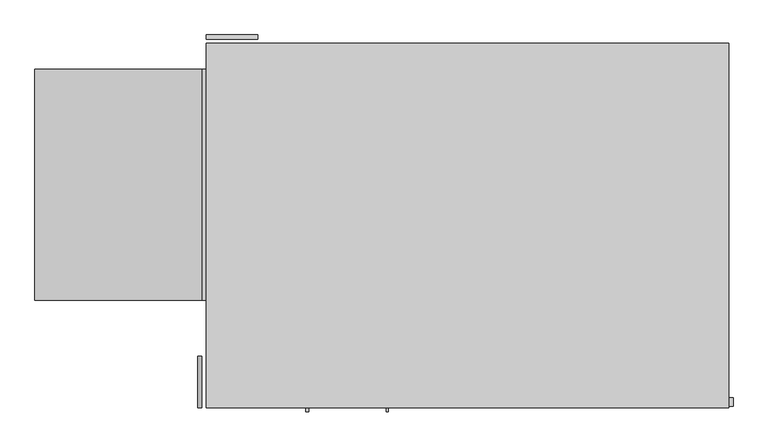
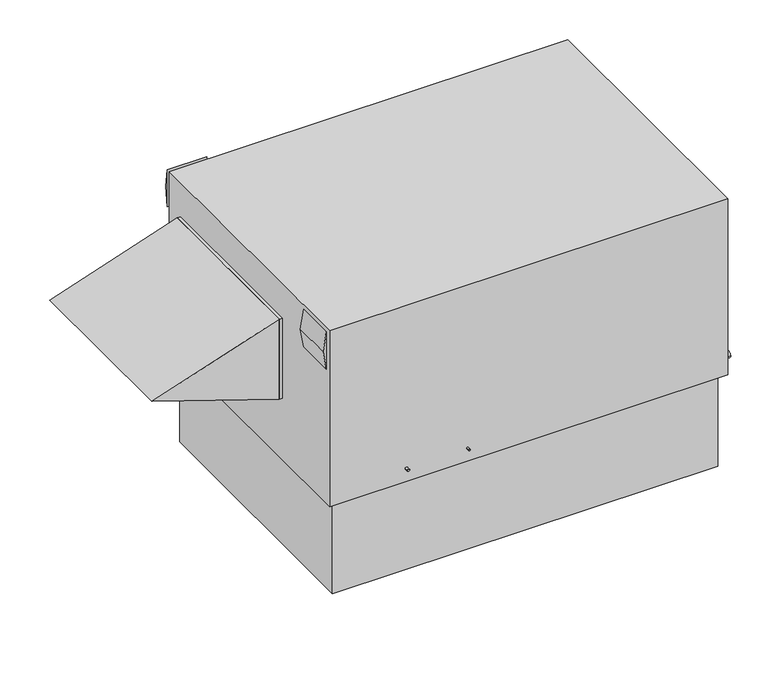
"""IFC4 building model written with IfcOpenShell, lengths in millimetres: proxy geometry."""

import ifcopenshell
import ifcopenshell.guid

model = None  # the IFC model being written
_history = None  # IfcOwnerHistory: only IFC2X3 demands one
_inside = {}  # id of a spatial element -> (the spatial element, [elements in it])
_under = {}  # id of a project, library or spatial element -> (it, [spatial elements below it])
_declared = {}  # id of a project -> (the project, [libraries it declares])
_typed = {}  # id of a type object -> (the type object, [elements of that type])
_made_of = {}  # id of a material, layer set ... -> (it, [elements and type objects made of it])


def new_model(schema):
    """Start an empty IFC model of exactly this schema.

    Asked for "IFC4X3", IfcOpenShell would pick the latest addendum, in which some entities
    have other attributes; the version numbers below select the first issue.
    IFC2X3 requires an IfcOwnerHistory on every rooted entity: one is made here for all.
    """
    global model, _history
    if schema == "IFC4X3":
        model = ifcopenshell.file(schema_version=(4, 3, 0, 0))
    else:
        model = ifcopenshell.file(schema=schema)
    _inside.clear()
    _under.clear()
    _declared.clear()
    _typed.clear()
    _made_of.clear()
    _history = None
    if model.schema == "IFC2X3":
        org = make("IfcOrganization", Name="unknown")
        user = make(
            "IfcPersonAndOrganization",
            ThePerson=make("IfcPerson", FamilyName="unknown"),
            TheOrganization=org,
        )
        app = make(
            "IfcApplication",
            ApplicationDeveloper=org,
            Version="unknown",
            ApplicationFullName="unknown",
            ApplicationIdentifier="unknown",
        )
        _history = make(
            "IfcOwnerHistory",
            OwningUser=user,
            OwningApplication=app,
            ChangeAction="ADDED",
            CreationDate=0,
        )
    return model


def make(cls, **values):
    """One entity of the class cls with the attributes given. An attribute that is None is left unset."""
    return model.create_entity(
        cls, **{name: value for name, value in values.items() if value is not None}
    )


def rooted(cls, **values):
    """An entity with a GlobalId (a new one), such as an element, a storey or a relation."""
    return make(cls, GlobalId=ifcopenshell.guid.new(), OwnerHistory=_history, **values)


def si_unit(unit_type, name, prefix=None):
    """IfcSIUnit, for example si_unit("LENGTHUNIT", "METRE", prefix="MILLI")."""
    return make("IfcSIUnit", UnitType=unit_type, Prefix=prefix, Name=name)


def assignment(units):
    """IfcUnitAssignment: the units of a project."""
    return None if units is None else make("IfcUnitAssignment", Units=units)


def point(xyz):
    """IfcCartesianPoint."""
    return None if xyz is None else make("IfcCartesianPoint", Coordinates=xyz)


def direction(xyz):
    """IfcDirection."""
    return None if xyz is None else make("IfcDirection", DirectionRatios=xyz)


def frame(location, z_axis=None, x_axis=None):
    """IfcAxis2Placement3D, a coordinate frame: its origin and axes. An axis left out is left unset."""
    return make(
        "IfcAxis2Placement3D",
        Location=point(location),
        Axis=direction(z_axis),
        RefDirection=direction(x_axis),
    )


def origin():
    """The frame at (0, 0, 0) with its axes left unset."""
    return frame((0.0, 0.0, 0.0))


def place(relative_to, where):
    """IfcLocalPlacement: puts the frame where relative to a parent placement (None: the world)."""
    return make(
        "IfcLocalPlacement", PlacementRelTo=relative_to, RelativePlacement=where
    )


def context(
    kind, dimensions, precision=None, world=None, true_north=None, identifier=None
):
    """IfcGeometricRepresentationContext, for example the 3D "Model" context."""
    return make(
        "IfcGeometricRepresentationContext",
        ContextIdentifier=identifier,
        ContextType=kind,
        CoordinateSpaceDimension=dimensions,
        Precision=precision,
        WorldCoordinateSystem=world,
        TrueNorth=true_north,
    )


def project(units=None, contexts=None):
    """IfcProject with its units and contexts."""
    return rooted(
        "IfcProject",
        Name="project",
        RepresentationContexts=contexts,
        UnitsInContext=assignment(units),
    )


def spatial(cls, under=None, at=None, **own):
    """A site, building, storey or space (cls), placed at a placement, below another one or the project."""
    s = rooted(cls, ObjectPlacement=at, **own)
    if under is not None:
        _under.setdefault(under.id(), (under, []))[1].append(s)
    return s


def polyline(points):
    """IfcPolyline through the points."""
    return make("IfcPolyline", Points=[point(p) for p in points])


def circle_curve(where, radius):
    """IfcCircle in the frame where."""
    return make("IfcCircle", Position=where, Radius=radius)


def outline(outer, holes=None, kind="AREA"):
    """IfcArbitraryClosedProfileDef: a profile drawn as a closed curve; with holes, ...WithVoids."""
    if holes is None:
        return make("IfcArbitraryClosedProfileDef", ProfileType=kind, OuterCurve=outer)
    return make(
        "IfcArbitraryProfileDefWithVoids",
        ProfileType=kind,
        OuterCurve=outer,
        InnerCurves=holes,
    )


def extrude(swept, where, along, depth):
    """IfcExtrudedAreaSolid: the profile swept, set in the frame where, extruded along a direction by depth."""
    return make(
        "IfcExtrudedAreaSolid",
        SweptArea=swept,
        Position=where,
        ExtrudedDirection=direction(along),
        Depth=depth,
    )


def shape(context_of_items, identifier, shape_type, items):
    """IfcShapeRepresentation: the items that make up one representation, for example the "Body"."""
    return make(
        "IfcShapeRepresentation",
        ContextOfItems=context_of_items,
        RepresentationIdentifier=identifier,
        RepresentationType=shape_type,
        Items=items,
    )


def source(mapping_origin, context_of_items, identifier, shape_type, items):
    """IfcRepresentationMap: a shape defined once, which mapped items show again and again."""
    return make(
        "IfcRepresentationMap",
        MappingOrigin=mapping_origin,
        MappedRepresentation=shape(context_of_items, identifier, shape_type, items),
    )


def transform(
    local_origin,
    x_axis=None,
    y_axis=None,
    z_axis=None,
    scale=None,
    scale2=None,
    scale3=None,
    uniform=True,
):
    """IfcCartesianTransformationOperator3D, or its non-uniform kind. x_axis, y_axis, z_axis: its Axis1, 2, 3."""
    if uniform:
        return make(
            "IfcCartesianTransformationOperator3D",
            Axis1=direction(x_axis),
            Axis2=direction(y_axis),
            LocalOrigin=point(local_origin),
            Scale=scale,
            Axis3=direction(z_axis),
        )
    return make(
        "IfcCartesianTransformationOperator3DnonUniform",
        Axis1=direction(x_axis),
        Axis2=direction(y_axis),
        LocalOrigin=point(local_origin),
        Scale=scale,
        Axis3=direction(z_axis),
        Scale2=scale2,
        Scale3=scale3,
    )


def mapped(mapping_source, mapping_target):
    """IfcMappedItem: shows the shape of a source again, moved by a transform."""
    return make(
        "IfcMappedItem", MappingSource=mapping_source, MappingTarget=mapping_target
    )


def made_of(thing, what):
    """Note that an element or type object is made of a material, layer set ...; save() writes the relation."""
    if what is not None:
        _made_of.setdefault(what.id(), (what, []))[1].append(thing)
    return thing


def element(
    cls,
    number,
    at=None,
    inside=None,
    cuts=None,
    type_object=None,
    material=None,
    context=None,
    identifier="Body",
    shape_type=None,
    held_by="IfcProductDefinitionShape",
    body=None,
    shapes=None,
    **own,
):
    """One element of the class cls, such as IfcWall. Its Tag is "e" and its number.

    at: its placement. inside: the storey or other place that contains it. cuts: it is an
    opening in that element (IfcRelVoidsElement). A single representation is given by context,
    identifier, shape_type and body (its items); several are given by shapes. held_by: the class
    of the entity that holds the representations. save() writes the other relations.
    """
    e = rooted(cls, Tag="e%d" % number, ObjectPlacement=at, **own)
    if body is not None:
        shapes = [shape(context, identifier, shape_type, body)]
    if shapes is not None:
        e.Representation = make(held_by, Representations=shapes)
    if inside is not None:
        _inside.setdefault(inside.id(), (inside, []))[1].append(e)
    if cuts is not None:
        rooted(
            "IfcRelVoidsElement", RelatingBuildingElement=cuts, RelatedOpeningElement=e
        )
    if type_object is not None:
        _typed.setdefault(type_object.id(), (type_object, []))[1].append(e)
    return made_of(e, material)


def aggregate(whole, parts):
    """IfcRelAggregates: a whole, such as a stair, and the parts it consists of."""
    return rooted("IfcRelAggregates", RelatingObject=whole, RelatedObjects=parts)


def save(model, path):
    """Write the relations noted so far, then the file.

    IfcRelAggregates (storeys below a building ...), IfcRelContainedInSpatialStructure (elements
    in a storey), IfcRelDefinesByType, IfcRelAssociatesMaterial and IfcRelDeclares: one each for
    every whole, place, type object, material and project.
    """
    for whole, parts in _under.values():
        aggregate(whole, parts)
    for where, things in _inside.values():
        rooted(
            "IfcRelContainedInSpatialStructure",
            RelatedElements=things,
            RelatingStructure=where,
        )
    for kind, things in _typed.values():
        rooted("IfcRelDefinesByType", RelatedObjects=things, RelatingType=kind)
    for what, things in _made_of.values():
        rooted("IfcRelAssociatesMaterial", RelatedObjects=things, RelatingMaterial=what)
    for by, libraries in _declared.values():
        rooted("IfcRelDeclares", RelatingContext=by, RelatedDefinitions=libraries)
    model.write(path)


def plane_surface(at):
    """IfcPlane: the flat surface through the origin of the frame at, square to its z axis."""
    return make("IfcPlane", Position=at)


def cylinder_surface(at, radius):
    """IfcCylindricalSurface: all points at the distance radius from the z axis of the frame at."""
    return make("IfcCylindricalSurface", Position=at, Radius=radius)


def advanced_brep(points, edges, surfaces, faces):
    """IfcAdvancedBrep: a solid bounded by faces that lie on surfaces and meet in shared edges.

    An edge is (start, end): straight between two places in points (the first is 0);
    or (start, end, curve); or (start, end, curve, False) where it runs against its curve.
    A face is (place in surfaces, loops), or (place, loops, False) where it looks against
    its surface's normal. A loop lists edges by number (the first is 1), with a minus sign
    where the edge is run from its end to its start. The first loop is the outer one.
    """
    corners = [point(p) for p in points]
    vertices = [make("IfcVertexPoint", VertexGeometry=c) for c in corners]
    made = []
    for start, end, *more in edges:
        made.append(
            make(
                "IfcEdgeCurve",
                EdgeStart=vertices[start],
                EdgeEnd=vertices[end],
                EdgeGeometry=more[0] if more else make("IfcPolyline", Points=[corners[start], corners[end]]),
                SameSense=more[1] if len(more) > 1 else True,
            )
        )
    hull = []
    for where, loops, *sense in faces:
        bounds = []
        for j, loop in enumerate(loops):
            ring = [make("IfcOrientedEdge", EdgeElement=made[abs(k) - 1], Orientation=k > 0) for k in loop]
            bounds.append(
                make(
                    "IfcFaceOuterBound" if j == 0 else "IfcFaceBound",
                    Bound=make("IfcEdgeLoop", EdgeList=ring),
                    Orientation=True,
                )
            )
        hull.append(make("IfcAdvancedFace", Bounds=bounds, FaceSurface=surfaces[where], SameSense=sense[0] if sense else True))
    return make("IfcAdvancedBrep", Outer=make("IfcClosedShell", CfsFaces=hull))


def mechanical_equipment_e4ba262f(model_context):
    return source(origin(), model_context, "Body", "SolidModel", [
        extrude(outline(polyline([(508.0, -3124.2), (1168.4, -3124.2), (838.2, -4114.8), (508.0, -3124.2)])), frame((0.0, 635.0, 0.0), z_axis=(0.0, 1.0, 0.0), x_axis=(0.0, 0.0, 1.0)), (0.0, 0.0, 1.0), 1371.6),
        extrude(outline(polyline([(-3124.2, 635.0), (-3124.2, 2006.6), (-3098.8, 2006.6), (-3098.8, 635.0), (-3124.2, 635.0)])), frame((0.0, 0.0, 508.0), z_axis=(0.0, 0.0, 1.0), x_axis=(1.0, 0.0, 0.0)), (0.0, 0.0, 1.0), 660.4),
        extrude(outline(polyline([(1143.0, -3124.2), (1447.8, -3124.2), (1295.4, -3149.6), (1143.0, -3124.2)])), frame((0.0, 0.0, 0.0), z_axis=(0.0, 1.0, 0.0), x_axis=(0.0, 0.0, 1.0)), (0.0, 0.0, 1.0), 304.8),
        extrude(outline(polyline([(2184.4, 1143.0), (2184.4, 1447.8), (2209.8, 1295.4), (2184.4, 1143.0)])), frame((-3098.8, 0.0, 0.0), z_axis=(1.0, 0.0, 0.0), x_axis=(0.0, 1.0, 0.0)), (0.0, 0.0, 1.0), 304.8),
        extrude(outline(polyline([(-50.8, 2108.2), (-50.8, 50.8), (-3048.0, 50.8), (-3048.0, 2108.2), (-50.8, 2108.2)])), frame((0.0, 0.0, -762.0), z_axis=(0.0, 0.0, 1.0), x_axis=(1.0, 0.0, 0.0)), (0.0, 0.0, 1.0), 762.0),
        advanced_brep(
        [(0.0, 2159.0, 1447.8), (-3098.8, 2159.0, 1447.8), (-3098.8, 0.0, 1447.8), (0.0, 0.0, 1447.8), (0.0, 2159.0, 0.0), (0.0, 0.0, 0.0), (-3098.8, 0.0, 0.0), (-3098.8, 2159.0, 0.0), (-2438.4, 2057.4, 0.0), (-2997.2, 2057.4, 0.0), (-2997.2, 76.2, 0.0), (-2438.4, 76.2, 0.0), (-1041.4, 2057.4, 0.0), (-1752.6, 2057.4, 0.0), (-1752.6, 279.4, 0.0), (-1041.4, 279.4, 0.0), (-2019.3, 0.0, 107.95), (-2032.0, 0.0, 107.95), (-2490.7875, 0.0, 107.95), (-2509.8375, 0.0, 107.95), (0.0, 58.7375, 142.875), (0.0, 7.9375, 142.875), (-2438.4, 2057.4, 107.95), (-2438.4, 76.2, 107.95), (-2997.2, 76.2, 107.95), (-2997.2, 2057.4, 107.95), (-1041.4, 2057.4, 107.95), (-1041.4, 279.4, 107.95), (-1752.6, 279.4, 107.95), (-1752.6, 2057.4, 107.95), (-2032.0, -25.5724411, 107.95), (-2019.3, -25.5724411, 107.95), (25.4, 7.9375, 142.875), (25.4, 58.7375, 142.875), (-2509.8375, -25.5724411, 107.95), (-2490.7875, -25.5724411, 107.95)],
        [
            (0, 1),
            (1, 2),
            (2, 3),
            (3, 0),
            (4, 5),
            (5, 6),
            (6, 7),
            (7, 4),
            (8, 9),
            (9, 10),
            (10, 11),
            (11, 8),
            (12, 13),
            (13, 14),
            (14, 15),
            (15, 12),
            (0, 4),
            (7, 1),
            (6, 2),
            (5, 3),
            (16, 17, circle_curve(frame((-2025.65, 0.0, 107.95), z_axis=(0.0, 1.0, 0.0), x_axis=(1.0, 0.0, 0.0)), 6.35)),
            (17, 16, circle_curve(frame((-2025.65, 0.0, 107.95), z_axis=(0.0, 1.0, 0.0), x_axis=(1.0, 0.0, 0.0)), 6.35)),
            (18, 19, circle_curve(frame((-2500.3125, 0.0, 107.95), z_axis=(0.0, 1.0, 0.0), x_axis=(1.0, 0.0, 0.0)), 9.525)),
            (19, 18, circle_curve(frame((-2500.3125, 0.0, 107.95), z_axis=(0.0, 1.0, 0.0), x_axis=(1.0, 0.0, 0.0)), 9.525)),
            (20, 21, circle_curve(frame((0.0, 33.3375, 142.875), z_axis=(-1.0, 0.0, 0.0), x_axis=(0.0, 1.0, 0.0)), 25.4)),
            (21, 20, circle_curve(frame((0.0, 33.3375, 142.875), z_axis=(-1.0, 0.0, 0.0), x_axis=(0.0, 1.0, 0.0)), 25.4)),
            (22, 23),
            (23, 24),
            (24, 25),
            (25, 22),
            (26, 27),
            (27, 28),
            (28, 29),
            (29, 26),
            (25, 9),
            (8, 22),
            (24, 10),
            (23, 11),
            (29, 13),
            (12, 26),
            (28, 14),
            (27, 15),
            (30, 31, circle_curve(frame((-2025.65, -25.5724411, 107.95), z_axis=(0.0, -1.0, 0.0), x_axis=(1.0, 0.0, 0.0)), 6.35)),
            (31, 30, circle_curve(frame((-2025.65, -25.5724411, 107.95), z_axis=(0.0, -1.0, 0.0), x_axis=(1.0, 0.0, 0.0)), 6.35)),
            (30, 17),
            (16, 31),
            (32, 33, circle_curve(frame((25.4, 33.3375, 142.875), z_axis=(1.0, 0.0, 0.0), x_axis=(0.0, 1.0, 0.0)), 25.4)),
            (33, 32, circle_curve(frame((25.4, 33.3375, 142.875), z_axis=(1.0, 0.0, 0.0), x_axis=(0.0, 1.0, 0.0)), 25.4)),
            (32, 21),
            (20, 33),
            (34, 35, circle_curve(frame((-2500.3125, -25.5724411, 107.95), z_axis=(0.0, -1.0, 0.0), x_axis=(1.0, 0.0, 0.0)), 9.525)),
            (35, 34, circle_curve(frame((-2500.3125, -25.5724411, 107.95), z_axis=(0.0, -1.0, 0.0), x_axis=(1.0, 0.0, 0.0)), 9.525)),
            (34, 19),
            (18, 35),
        ],
        [
            plane_surface(frame((-3098.8, 2159.0, 1447.8), z_axis=(0.0, 0.0, 1.0), x_axis=(-1.0, 0.0, 0.0))),
            plane_surface(frame((-3098.8, 2159.0, 0.0), z_axis=(0.0, 0.0, -1.0), x_axis=(1.0, 0.0, 0.0))),
            plane_surface(frame((0.0, 2159.0, 1447.8), z_axis=(0.0, 1.0, 0.0), x_axis=(0.0, 0.0, -1.0))),
            plane_surface(frame((-3098.8, 2159.0, 1447.8), z_axis=(-1.0, 0.0, 0.0), x_axis=(0.0, 0.0, -1.0))),
            plane_surface(frame((-3098.8, 0.0, 1447.8), z_axis=(0.0, -1.0, 0.0), x_axis=(0.0, 0.0, -1.0))),
            plane_surface(frame((0.0, 0.0, 1447.8), z_axis=(1.0, 0.0, 0.0), x_axis=(0.0, 0.0, -1.0))),
            plane_surface(frame((-2997.2, 2057.4, 107.95), z_axis=(0.0, 0.0, -1.0), x_axis=(-1.0, 0.0, 0.0))),
            plane_surface(frame((-2438.4, 2057.4, 107.95), z_axis=(0.0, -1.0, 0.0), x_axis=(0.0, 0.0, -1.0))),
            plane_surface(frame((-2997.2, 2057.4, 107.95), z_axis=(1.0, 0.0, 0.0), x_axis=(0.0, 0.0, -1.0))),
            plane_surface(frame((-2997.2, 76.2, 107.95), z_axis=(0.0, 1.0, 0.0), x_axis=(0.0, 0.0, -1.0))),
            plane_surface(frame((-2438.4, 76.2, 107.95), z_axis=(-1.0, 0.0, 0.0), x_axis=(0.0, 0.0, -1.0))),
            plane_surface(frame((-1041.4, 2057.4, 107.95), z_axis=(0.0, -1.0, 0.0), x_axis=(0.0, 0.0, -1.0))),
            plane_surface(frame((-1752.6, 2057.4, 107.95), z_axis=(1.0, 0.0, 0.0), x_axis=(0.0, 0.0, -1.0))),
            plane_surface(frame((-1752.6, 279.4, 107.95), z_axis=(0.0, 1.0, 0.0), x_axis=(0.0, 0.0, -1.0))),
            plane_surface(frame((-1041.4, 279.4, 107.95), z_axis=(-1.0, 0.0, 0.0), x_axis=(0.0, 0.0, -1.0))),
            plane_surface(frame((-2019.3, -25.5724411, 107.95), z_axis=(0.0, -1.0, 0.0), x_axis=(0.0, 0.0, 1.0))),
            cylinder_surface(frame((-2025.65, 0.0, 107.95), z_axis=(0.0, -1.0, 0.0), x_axis=(1.0, 0.0, 0.0)), 6.35),
            plane_surface(frame((25.4, 58.7375, 142.875), z_axis=(1.0, 0.0, 0.0), x_axis=(0.0, 0.0, 1.0))),
            cylinder_surface(frame((0.0, 33.3375, 142.875), z_axis=(1.0, 0.0, 0.0), x_axis=(0.0, 1.0, 0.0)), 25.4),
            plane_surface(frame((-2490.7875, -25.5724411, 107.95), z_axis=(0.0, -1.0, 0.0), x_axis=(0.0, 0.0, 1.0))),
            cylinder_surface(frame((-2500.3125, 0.0, 107.95), z_axis=(0.0, -1.0, 0.0), x_axis=(1.0, 0.0, 0.0)), 9.525),
        ],
        [
            (0, [[1, 2, 3, 4]]),
            (1, [[5, 6, 7, 8], [9, 10, 11, 12], [13, 14, 15, 16]]),
            (2, [[-1, 17, -8, 18]]),
            (3, [[-2, -18, -7, 19]]),
            (4, [[-3, -19, -6, 20], [21, 22], [23, 24]]),
            (5, [[-4, -20, -5, -17], [25, 26]]),
            (6, [[27, 28, 29, 30]]),
            (6, [[31, 32, 33, 34]]),
            (7, [[-30, 35, -9, 36]]),
            (8, [[-29, 37, -10, -35]]),
            (9, [[-28, 38, -11, -37]]),
            (10, [[-27, -36, -12, -38]]),
            (11, [[-34, 39, -13, 40]]),
            (12, [[-33, 41, -14, -39]]),
            (13, [[-32, 42, -15, -41]]),
            (14, [[-31, -40, -16, -42]]),
            (15, [[43, 44]]),
            (16, [[-43, 45, -21, 46]]),
            (16, [[-44, -46, -22, -45]]),
            (17, [[47, 48]]),
            (18, [[-47, 49, -25, 50]]),
            (18, [[-48, -50, -26, -49]]),
            (19, [[51, 52]]),
            (20, [[-51, 53, -23, 54]]),
            (20, [[-52, -54, -24, -53]]),
        ],
    ),
    ])


if __name__ == "__main__":
    model = new_model("IFC4")
    model_context = context("Model", 3, world=origin())
    ifc_project = project(units=[si_unit("LENGTHUNIT", "METRE", prefix="MILLI")], contexts=[model_context])
    site = spatial("IfcSite", under=ifc_project)
    building = spatial("IfcBuilding", under=site)
    placement = place(None, origin())
    mechanical_equipment_shape = mechanical_equipment_e4ba262f(model_context)
    element("IfcBuildingElementProxy", 1, Name="Mechanical Equipment", at=placement, inside=building, context=model_context, shape_type="MappedRepresentation", body=[
        mapped(mechanical_equipment_shape, transform((0.0, 0.0, 0.0), x_axis=(1.0, 0.0, 0.0), y_axis=(0.0, 1.0, 0.0), z_axis=(0.0, 0.0, 1.0))),
    ])
    save(model, "model.ifc")
